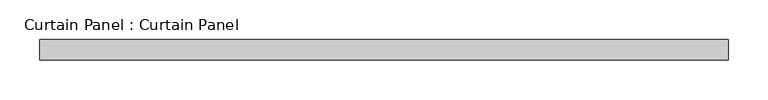
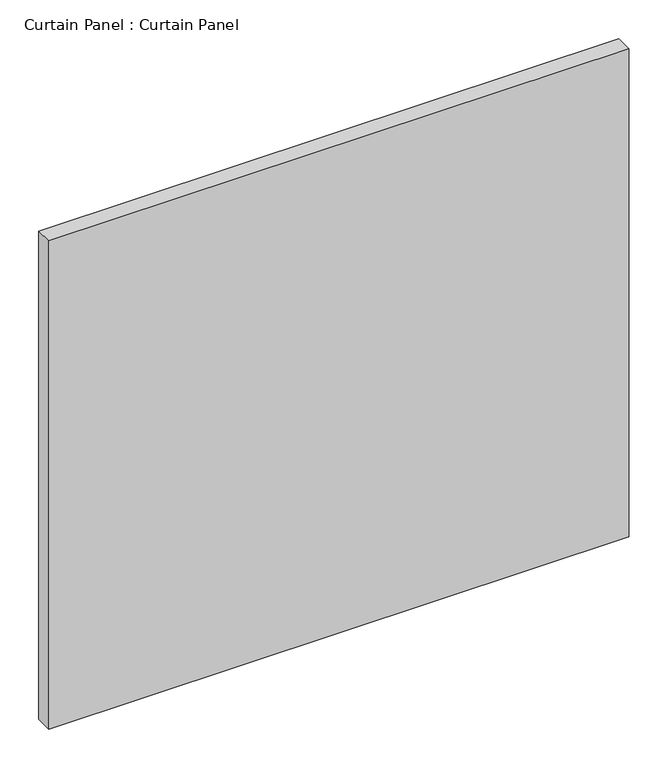
"""IFC4 building model written with IfcOpenShell, lengths in millimetres: plate geometry, Curtain Panel : Curtain Panel."""

from ifc_helpers import new_model, si_unit, frame, origin, place, context, project, spatial, polyline, outline, extrude, source, transform, mapped, element, save


def curtain_panel_curtain_panel_1f2a7e1b(model_context):
    return source(origin(), model_context, "Body", "SweptSolid", [
        extrude(outline(polyline([(75326.8744044, 2539.6865142), (74463.2746308, 2539.6865142), (74463.2746308, 2565.0865142), (75326.8744044, 2565.0865142), (75326.8744044, 2539.6865142)])), frame((0.0, 0.0, -629.8441246), z_axis=(0.0, 0.0, 1.0), x_axis=(1.0, 0.0, 0.0)), (0.0, 0.0, 1.0), 768.0030401),
    ])


if __name__ == "__main__":
    model = new_model("IFC4")
    model_context = context("Model", 3, world=origin())
    ifc_project = project(units=[si_unit("LENGTHUNIT", "METRE", prefix="MILLI")], contexts=[model_context])
    site = spatial("IfcSite", under=ifc_project)
    building = spatial("IfcBuilding", under=site)
    placement = place(None, origin())
    curtain_panel_curtain_panel_shape = curtain_panel_curtain_panel_1f2a7e1b(model_context)
    element("IfcPlate", 1, ObjectType="Curtain Panel : Curtain Panel", at=placement, inside=building, context=model_context, shape_type="MappedRepresentation", body=[
        mapped(curtain_panel_curtain_panel_shape, transform((0.0, 0.0, 0.0), x_axis=(1.0, 0.0, 0.0), y_axis=(0.0, 1.0, 0.0), z_axis=(0.0, 0.0, 1.0))),
    ])
    save(model, "model.ifc")
